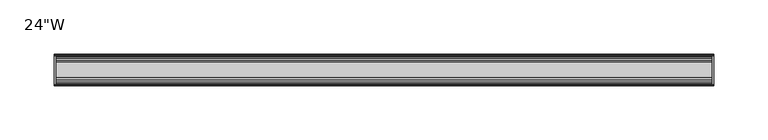
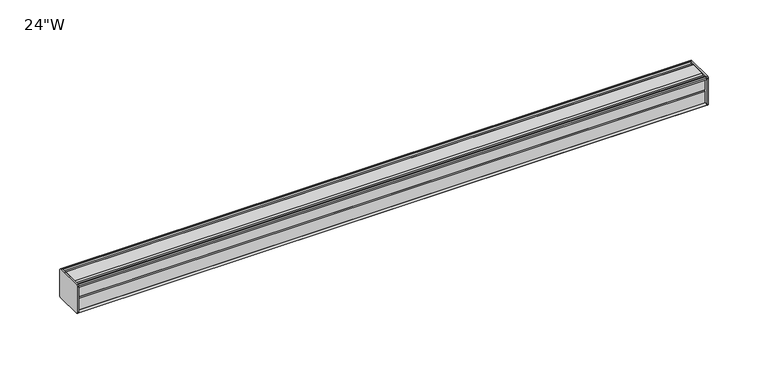
"""IFC4 building model written with IfcOpenShell, lengths in millimetres: furniture geometry."""

from ifc_helpers import new_model, si_unit, frame, origin, place, context, project, spatial, circle_curve, source, transform, mapped, element, save
from ifc_brep_helpers import plane_surface, cylinder_surface, advanced_brep


def furniture_4f007022(model_context):
    return source(origin(), model_context, "Body", "AdvancedBrep", [
        advanced_brep(
        [(303.2125, 14.5851562, 1196.1436262), (303.2125, 14.5851562, 1169.9932877), (303.2125, 14.4138595, 1169.1873997), (303.2125, 13.8374434, 1168.6109837), (303.2125, 12.9019306, 1168.3603131), (303.2125, -13.4067434, 1168.3603131), (303.2125, -14.3040014, 1169.2575711), (303.2125, -14.5851563, 1170.0259798), (303.2125, -14.5851563, 1195.9443327), (303.2125, -14.3040014, 1196.7127414), (303.2125, -13.4464303, 1197.5703125), (303.2125, 13.0500437, 1197.5703125), (303.2125, 13.8374434, 1197.3593288), (303.2125, 14.4138595, 1196.7829128), (304.8, 14.6248431, 1195.9955131), (304.8, 14.4138595, 1196.7829128), (304.8, 13.8374434, 1197.3593288), (304.8, 13.0500437, 1197.5703125), (304.8, -13.4464303, 1197.5703125), (304.8, -14.3040014, 1196.7127414), (304.8, -14.5851563, 1195.9443327), (304.8, -14.5851563, 1170.0259798), (304.8, -14.3040014, 1169.2575711), (304.8, -13.4067434, 1168.3603131), (304.8, 12.9019306, 1168.3603131), (304.8, 13.8374434, 1168.6109837), (304.8, 14.4138595, 1169.1873997), (304.8, 14.5851562, 1169.9932877)],
        [
            (0, 1),
            (1, 2),
            (2, 3),
            (3, 4),
            (4, 5),
            (5, 6),
            (6, 7, circle_curve(frame((303.2125, -13.3945313, 1170.0259798), z_axis=(-1.0, 0.0, 0.0), x_axis=(0.0, 1.0, 0.0)), 1.190625)),
            (7, 8),
            (8, 9, circle_curve(frame((303.2125, -13.3945313, 1195.9443327), z_axis=(-1.0, 0.0, 0.0), x_axis=(0.0, 1.0, 0.0)), 1.190625)),
            (9, 10),
            (10, 11),
            (11, 12),
            (12, 13),
            (13, 0),
            (14, 15),
            (15, 16),
            (16, 17),
            (17, 18),
            (18, 19),
            (19, 20, circle_curve(frame((304.8, -13.3945313, 1195.9443327), z_axis=(1.0, 0.0, 0.0), x_axis=(0.0, 1.0, 0.0)), 1.190625)),
            (20, 21),
            (21, 22, circle_curve(frame((304.8, -13.3945313, 1170.0259798), z_axis=(1.0, 0.0, 0.0), x_axis=(0.0, 1.0, 0.0)), 1.190625)),
            (22, 23),
            (23, 24),
            (24, 25),
            (25, 26),
            (26, 27),
            (27, 14),
            (13, 15),
            (14, 0),
            (12, 16),
            (11, 17),
            (10, 18),
            (9, 19),
            (8, 20),
            (7, 21),
            (6, 22),
            (5, 23),
            (4, 24),
            (3, 25),
            (2, 26),
            (1, 27),
        ],
        [
            plane_surface(frame((303.2125, 14.5851562, 1169.9932877), z_axis=(-1.0, 0.0, 0.0), x_axis=(0.0, 0.0, -1.0))),
            plane_surface(frame((304.8, 14.5851562, 1169.9932877), z_axis=(1.0, 0.0, 0.0), x_axis=(0.0, 0.0, 1.0))),
            plane_surface(frame((303.2125, 14.4138595, 1196.7829128), z_axis=(0.0, 0.9659256560349851, 0.25881968049857335), x_axis=(1.0, 0.0, 0.0))),
            plane_surface(frame((303.2125, 13.8374434, 1197.3593288), z_axis=(0.0, 0.7071067811866345, 0.7071067811864606), x_axis=(1.0, 0.0, 0.0))),
            plane_surface(frame((303.2125, 13.0500437, 1197.5703125), z_axis=(0.0, 0.2588196804711877, 0.9659256560423232), x_axis=(1.0, 0.0, 0.0))),
            plane_surface(frame((303.2125, -13.4464303, 1197.5703125), z_axis=(0.0, 0.0, 1.0), x_axis=(1.0, 0.0, 0.0))),
            plane_surface(frame((303.2125, -14.3040014, 1196.7127414), z_axis=(0.0, -0.70710678117674, 0.7071067811963553), x_axis=(1.0, 0.0, 0.0))),
            cylinder_surface(frame((304.8, -13.3945313, 1195.9443327), z_axis=(-1.0, 0.0, 0.0), x_axis=(0.0, 1.0, 0.0)), 1.190625),
            plane_surface(frame((303.2125, -14.5851563, 1170.0259798), z_axis=(0.0, -1.0, 0.0), x_axis=(1.0, 0.0, 0.0))),
            cylinder_surface(frame((304.8, -13.3945313, 1170.0259798), z_axis=(-1.0, 0.0, 0.0), x_axis=(0.0, 1.0, 0.0)), 1.190625),
            plane_surface(frame((303.2125, -13.4067434, 1168.3603131), z_axis=(0.0, -0.7071067811917087, -0.7071067811813864), x_axis=(1.0, 0.0, 0.0))),
            plane_surface(frame((303.2125, 12.9019306, 1168.3603131), z_axis=(0.0, 0.0, -1.0), x_axis=(1.0, 0.0, 0.0))),
            plane_surface(frame((303.2125, 13.8374434, 1168.6109837), z_axis=(0.0, 0.2588196804985645, -0.9659256560349875), x_axis=(1.0, 0.0, 0.0))),
            plane_surface(frame((303.2125, 14.4138595, 1169.1873997), z_axis=(0.0, 0.7071067811865204, -0.7071067811865748), x_axis=(1.0, 0.0, 0.0))),
            plane_surface(frame((303.2125, 14.5851562, 1169.9932877), z_axis=(0.0, 0.9781476007310527, -0.207911690830711), x_axis=(1.0, 0.0, 0.0))),
            plane_surface(frame((303.2125, 14.5851562, 1196.1436262), z_axis=(0.0, 1.0, 0.0), x_axis=(1.0, 0.0, 0.0))),
        ],
        [
            (0, [[1, 2, 3, 4, 5, 6, 7, 8, 9, 10, 11, 12, 13, 14]]),
            (1, [[15, 16, 17, 18, 19, 20, 21, 22, 23, 24, 25, 26, 27, 28]]),
            (2, [[-14, 29, -15, 30]]),
            (3, [[-13, 31, -16, -29]]),
            (4, [[-12, 32, -17, -31]]),
            (5, [[-11, 33, -18, -32]]),
            (6, [[-10, 34, -19, -33]]),
            (7, [[-9, 35, -20, -34]]),
            (8, [[-8, 36, -21, -35]]),
            (9, [[-7, 37, -22, -36]]),
            (10, [[-6, 38, -23, -37]]),
            (11, [[-5, 39, -24, -38]]),
            (12, [[-4, 40, -25, -39]]),
            (13, [[-3, 41, -26, -40]]),
            (14, [[-2, 42, -27, -41]]),
            (15, [[-1, -30, -28, -42]]),
        ],
    ),
        advanced_brep(
        [(-303.2125, 14.6248431, 1195.9955131), (-303.2125, 14.4138595, 1196.7829128), (-303.2125, 13.8374434, 1197.3593288), (-303.2125, 13.0500437, 1197.5703125), (-303.2125, -13.4464303, 1197.5703125), (-303.2125, -14.3040014, 1196.7127414), (-303.2125, -14.5851563, 1195.9443327), (-303.2125, -14.5851563, 1170.0259798), (-303.2125, -14.3040014, 1169.2575711), (-303.2125, -13.4067434, 1168.3603131), (-303.2125, 12.9019306, 1168.3603131), (-303.2125, 13.8374434, 1168.6109837), (-303.2125, 14.4138595, 1169.1873997), (-303.2125, 14.5851562, 1169.9932877), (-304.8, 14.5851562, 1196.1436262), (-304.8, 14.5851562, 1169.9932877), (-304.8, 14.4138595, 1169.1873997), (-304.8, 13.8374434, 1168.6109837), (-304.8, 12.9019306, 1168.3603131), (-304.8, -13.4067434, 1168.3603131), (-304.8, -14.3040014, 1169.2575711), (-304.8, -14.5851563, 1170.0259798), (-304.8, -14.5851563, 1195.9443327), (-304.8, -14.3040014, 1196.7127414), (-304.8, -13.4464303, 1197.5703125), (-304.8, 13.0500437, 1197.5703125), (-304.8, 13.8374434, 1197.3593288), (-304.8, 14.4138595, 1196.7829128)],
        [
            (0, 1),
            (1, 2),
            (2, 3),
            (3, 4),
            (4, 5),
            (5, 6, circle_curve(frame((-303.2125, -13.3945313, 1195.9443327), z_axis=(1.0, 0.0, 0.0), x_axis=(0.0, 1.0, 0.0)), 1.190625)),
            (6, 7),
            (7, 8, circle_curve(frame((-303.2125, -13.3945313, 1170.0259798), z_axis=(1.0, 0.0, 0.0), x_axis=(0.0, 1.0, 0.0)), 1.190625)),
            (8, 9),
            (9, 10),
            (10, 11),
            (11, 12),
            (12, 13),
            (13, 0),
            (14, 15),
            (15, 16),
            (16, 17),
            (17, 18),
            (18, 19),
            (19, 20),
            (20, 21, circle_curve(frame((-304.8, -13.3945313, 1170.0259798), z_axis=(-1.0, 0.0, 0.0), x_axis=(0.0, 1.0, 0.0)), 1.190625)),
            (21, 22),
            (22, 23, circle_curve(frame((-304.8, -13.3945313, 1195.9443327), z_axis=(-1.0, 0.0, 0.0), x_axis=(0.0, 1.0, 0.0)), 1.190625)),
            (23, 24),
            (24, 25),
            (25, 26),
            (26, 27),
            (27, 14),
            (0, 14),
            (27, 1),
            (26, 2),
            (25, 3),
            (24, 4),
            (23, 5),
            (22, 6),
            (21, 7),
            (20, 8),
            (19, 9),
            (18, 10),
            (17, 11),
            (16, 12),
            (15, 13),
        ],
        [
            plane_surface(frame((-303.2125, 14.6248431, 1195.9955131), z_axis=(1.0000000000000002, 0.0, 0.0), x_axis=(0.0, -0.25881968043900594, 0.9659256560509463))),
            plane_surface(frame((-304.8, 14.6248431, 1195.9955131), z_axis=(-1.0000000000000002, 0.0, 0.0), x_axis=(0.0, 0.25881968043900594, -0.9659256560509463))),
            plane_surface(frame((-303.2125, 14.6248431, 1195.9955131), z_axis=(0.0, 0.9659256560509463, 0.25881968043900594), x_axis=(-1.0, 0.0, 0.0))),
            plane_surface(frame((-303.2125, 14.4138595, 1196.7829128), z_axis=(0.0, 0.7071067810675442, 0.7071067813055509), x_axis=(-1.0, 0.0, 0.0))),
            plane_surface(frame((-303.2125, 13.8374434, 1197.3593288), z_axis=(0.0, 0.25881968048355775, 0.9659256560390086), x_axis=(-1.0, 0.0, 0.0))),
            plane_surface(frame((-303.2125, 13.0500437, 1197.5703125), z_axis=(0.0, 0.0, 1.0), x_axis=(-1.0, 0.0, 0.0))),
            plane_surface(frame((-303.2125, -13.4464303, 1197.5703125), z_axis=(0.0, -0.7071067811880228, 0.7071067811850722), x_axis=(-1.0, 0.0, 0.0))),
            cylinder_surface(frame((-304.8, -13.3945313, 1195.9443327), z_axis=(1.0, 0.0, 0.0), x_axis=(0.0, 1.0, 0.0)), 1.190625),
            plane_surface(frame((-303.2125, -14.5851563, 1195.9443327), z_axis=(0.0, -1.0, 0.0), x_axis=(-1.0, 0.0, 0.0))),
            cylinder_surface(frame((-304.8, -13.3945313, 1170.0259798), z_axis=(1.0, 0.0, 0.0), x_axis=(0.0, 1.0, 0.0)), 1.190625),
            plane_surface(frame((-303.2125, -14.3040014, 1169.2575711), z_axis=(0.0, -0.7071067811864808, -0.7071067811866142), x_axis=(-1.0, 0.0, 0.0))),
            plane_surface(frame((-303.2125, -13.4067434, 1168.3603131), z_axis=(0.0, 0.0, -1.0), x_axis=(-1.0, 0.0, 0.0))),
            plane_surface(frame((-303.2125, 12.9019306, 1168.3603131), z_axis=(0.0, 0.25881968049856513, -0.9659256560349874), x_axis=(-1.0, 0.0, 0.0))),
            plane_surface(frame((-303.2125, 13.8374434, 1168.6109837), z_axis=(0.0, 0.707106781186519, -0.7071067811865761), x_axis=(-1.0, 0.0, 0.0))),
            plane_surface(frame((-303.2125, 14.4138595, 1169.1873997), z_axis=(0.0, 0.9781476007314348, -0.20791169082891317), x_axis=(-1.0, 0.0, 0.0))),
            plane_surface(frame((-303.2125, 14.5851562, 1169.9932877), z_axis=(0.0, 1.0, 0.0), x_axis=(-1.0, 0.0, 0.0))),
        ],
        [
            (0, [[1, 2, 3, 4, 5, 6, 7, 8, 9, 10, 11, 12, 13, 14]]),
            (1, [[15, 16, 17, 18, 19, 20, 21, 22, 23, 24, 25, 26, 27, 28]]),
            (2, [[-1, 29, -28, 30]]),
            (3, [[-2, -30, -27, 31]]),
            (4, [[-3, -31, -26, 32]]),
            (5, [[-4, -32, -25, 33]]),
            (6, [[-5, -33, -24, 34]]),
            (7, [[-6, -34, -23, 35]]),
            (8, [[-7, -35, -22, 36]]),
            (9, [[-8, -36, -21, 37]]),
            (10, [[-9, -37, -20, 38]]),
            (11, [[-10, -38, -19, 39]]),
            (12, [[-11, -39, -18, 40]]),
            (13, [[-12, -40, -17, 41]]),
            (14, [[-13, -41, -16, 42]]),
            (15, [[-14, -42, -15, -29]]),
        ],
    ),
        advanced_brep(
        [(303.2125, -7.3748315, 1197.5703125), (303.2125, -8.9105708, 1196.5395796), (303.2125, -10.7601399, 1196.5395796), (303.2125, -12.2958792, 1197.5703125), (303.2125, -13.4464303, 1197.5703125), (303.2125, -14.3040014, 1196.7127414), (303.2125, -13.3945313, 1194.7537077), (303.2125, -13.3945313, 1195.665312), (303.2125, -12.2039063, 1195.665312), (303.2125, -12.2039063, 1183.7590632), (303.2125, -11.4101564, 1182.9653134), (303.2125, -12.2039063, 1182.1715636), (303.2125, -12.2039063, 1170.2653131), (303.2125, -13.3945313, 1170.2653131), (303.2125, -13.3945313, 1171.2166048), (303.2125, -14.3040014, 1169.2575711), (303.2125, -13.4067434, 1168.3603131), (303.2125, -12.2958792, 1168.3603131), (303.2125, -10.7601399, 1169.3910471), (303.2125, -8.9105708, 1169.3910471), (303.2125, -7.4339628, 1168.4), (303.2125, 7.4145184, 1168.4), (303.2125, 8.9502576, 1169.4307329), (303.2125, 10.7998291, 1169.4307329), (303.2125, 12.2275037, 1168.4), (303.2125, 13.0500437, 1168.4), (303.2125, 13.8374434, 1168.6109837), (303.2125, 14.4138595, 1169.1873997), (303.2125, 14.5851562, 1169.9932877), (303.2125, 14.5851562, 1196.1436262), (303.2125, 14.4138595, 1196.7829128), (303.2125, 13.8374434, 1197.3593288), (303.2125, 13.0500437, 1197.5703125), (303.2125, 12.2275037, 1197.5703125), (303.2125, 10.7998291, 1196.5395796), (303.2125, 8.9502576, 1196.5395796), (303.2125, 7.4145184, 1197.5703125), (-303.2125, -7.3748315, 1197.5703125), (-303.2125, 7.4145184, 1197.5703125), (-303.2125, 8.9502576, 1196.5395796), (-303.2125, 10.7998291, 1196.5395796), (-303.2125, 12.2275037, 1197.5703125), (-303.2125, 13.0500437, 1197.5703125), (-303.2125, 13.8374434, 1197.3593288), (-303.2125, 14.4138595, 1196.7829128), (-303.2125, 14.6248431, 1195.9955131), (-303.2125, 14.5851562, 1169.9932877), (-303.2125, 14.4138595, 1169.1873997), (-303.2125, 13.8374434, 1168.6109837), (-303.2125, 13.0500437, 1168.4), (-303.2125, 12.2275037, 1168.4), (-303.2125, 10.7998291, 1169.4307329), (-303.2125, 8.9502576, 1169.4307329), (-303.2125, 7.4145184, 1168.4), (-303.2125, -7.4339628, 1168.4), (-303.2125, -8.9105708, 1169.3910471), (-303.2125, -10.7601399, 1169.3910471), (-303.2125, -12.2958792, 1168.3603131), (-303.2125, -13.4067434, 1168.3603131), (-303.2125, -14.3040014, 1169.2575711), (-303.2125, -13.3945313, 1171.2166048), (-303.2125, -13.3945313, 1170.2653131), (-303.2125, -12.2039063, 1170.2653131), (-303.2125, -12.2039063, 1182.1715636), (-303.2125, -11.4101564, 1182.9653134), (-303.2125, -12.2039063, 1183.7590632), (-303.2125, -12.2039063, 1195.665312), (-303.2125, -13.3945313, 1195.665312), (-303.2125, -13.3945313, 1194.7537077), (-303.2125, -14.3040014, 1196.7127414), (-303.2125, -13.4464303, 1197.5703125), (-303.2125, -12.2958792, 1197.5703125), (-303.2125, -10.7601399, 1196.5395796), (-303.2125, -8.9105708, 1196.5395796)],
        [
            (0, 1),
            (1, 2),
            (2, 3),
            (3, 4),
            (4, 5),
            (5, 6, circle_curve(frame((303.2125, -13.3945313, 1195.9443327), z_axis=(1.0, 0.0, 0.0), x_axis=(0.0, 1.0, 0.0)), 1.190625)),
            (6, 7),
            (7, 8),
            (8, 9),
            (9, 10),
            (10, 11),
            (11, 12),
            (12, 13),
            (13, 14),
            (14, 15, circle_curve(frame((303.2125, -13.3945313, 1170.0259798), z_axis=(1.0, 0.0, 0.0), x_axis=(0.0, 1.0, 0.0)), 1.190625)),
            (15, 16),
            (16, 17),
            (17, 18),
            (18, 19),
            (19, 20),
            (20, 21),
            (21, 22),
            (22, 23),
            (23, 24),
            (24, 25),
            (25, 26),
            (26, 27),
            (27, 28),
            (28, 29),
            (29, 30),
            (30, 31),
            (31, 32),
            (32, 33),
            (33, 34),
            (34, 35),
            (35, 36),
            (36, 0),
            (37, 38),
            (38, 39),
            (39, 40),
            (40, 41),
            (41, 42),
            (42, 43),
            (43, 44),
            (44, 45),
            (45, 46),
            (46, 47),
            (47, 48),
            (48, 49),
            (49, 50),
            (50, 51),
            (51, 52),
            (52, 53),
            (53, 54),
            (54, 55),
            (55, 56),
            (56, 57),
            (57, 58),
            (58, 59),
            (59, 60, circle_curve(frame((-303.2125, -13.3945313, 1170.0259798), z_axis=(-1.0, 0.0, 0.0), x_axis=(0.0, 1.0, 0.0)), 1.190625)),
            (60, 61),
            (61, 62),
            (62, 63),
            (63, 64),
            (64, 65),
            (65, 66),
            (66, 67),
            (67, 68),
            (68, 69, circle_curve(frame((-303.2125, -13.3945313, 1195.9443327), z_axis=(-1.0, 0.0, 0.0), x_axis=(0.0, 1.0, 0.0)), 1.190625)),
            (69, 70),
            (70, 71),
            (71, 72),
            (72, 73),
            (73, 37),
            (0, 37),
            (73, 1),
            (72, 2),
            (71, 3),
            (70, 4),
            (69, 5),
            (68, 6),
            (67, 7),
            (66, 8),
            (65, 9),
            (64, 10),
            (63, 11),
            (62, 12),
            (61, 13),
            (60, 14),
            (59, 15),
            (58, 16),
            (57, 17),
            (56, 18),
            (55, 19),
            (54, 20),
            (53, 21),
            (52, 22),
            (51, 23),
            (50, 24),
            (49, 25),
            (48, 26),
            (47, 27),
            (46, 28),
            (45, 29),
            (44, 30),
            (43, 31),
            (42, 32),
            (41, 33),
            (40, 34),
            (39, 35),
            (38, 36),
        ],
        [
            plane_surface(frame((303.2125, -7.3748315, 1197.5703125), z_axis=(1.0, 0.0, 0.0), x_axis=(0.0, -0.8303227972604666, -0.5572827400427488))),
            plane_surface(frame((-303.2125, -7.3748315, 1197.5703125), z_axis=(-1.0, 0.0, 0.0), x_axis=(0.0, 0.8303227972604666, 0.5572827400427488))),
            plane_surface(frame((303.2125, -7.3748315, 1197.5703125), z_axis=(0.0, -0.5572827400427488, 0.8303227972604666), x_axis=(-1.0, 0.0, 0.0))),
            plane_surface(frame((303.2125, -8.9105708, 1196.5395796), z_axis=(0.0, 0.0, 1.0), x_axis=(-1.0, 0.0, 0.0))),
            plane_surface(frame((303.2125, -10.7601399, 1196.5395796), z_axis=(0.0, 0.5572827400427491, 0.8303227972604665), x_axis=(-1.0, 0.0, 0.0))),
            plane_surface(frame((303.2125, -12.2958792, 1197.5703125), z_axis=(0.0, 0.0, 1.0), x_axis=(-1.0, 0.0, 0.0))),
            plane_surface(frame((303.2125, -13.4464303, 1197.5703125), z_axis=(0.0, -0.7071067811810978, 0.7071067811919972), x_axis=(-1.0, 0.0, 0.0))),
            cylinder_surface(frame((-303.2125, -13.3945313, 1195.9443327), z_axis=(1.0, 0.0, 0.0), x_axis=(0.0, 1.0, 0.0)), 1.190625),
            plane_surface(frame((303.2125, -13.3945313, 1194.7537077), z_axis=(0.0, 1.0, 0.0), x_axis=(-1.0, 0.0, 0.0))),
            plane_surface(frame((303.2125, -13.3945313, 1195.665312), z_axis=(0.0, 0.0, -1.0), x_axis=(-1.0, 0.0, 0.0))),
            plane_surface(frame((303.2125, -12.2039063, 1195.665312), z_axis=(0.0, -1.0, 0.0), x_axis=(-1.0, 0.0, 0.0))),
            plane_surface(frame((303.2125, -12.2039063, 1183.7590632), z_axis=(0.0, -0.7071067811865155, -0.7071067811865795), x_axis=(-1.0, 0.0, 0.0))),
            plane_surface(frame((303.2125, -11.4101564, 1182.9653134), z_axis=(0.0, -0.7071067811865522, 0.7071067811865428), x_axis=(-1.0, 0.0, 0.0))),
            plane_surface(frame((303.2125, -12.2039063, 1182.1715636), z_axis=(0.0, -1.0, 0.0), x_axis=(-1.0, 0.0, 0.0))),
            plane_surface(frame((303.2125, -12.2039063, 1170.2653131), z_axis=(0.0, 0.0, 1.0), x_axis=(-1.0, 0.0, 0.0))),
            plane_surface(frame((303.2125, -13.3945313, 1170.2653131), z_axis=(0.0, 1.0, 0.0), x_axis=(-1.0, 0.0, 0.0))),
            cylinder_surface(frame((-303.2125, -13.3945313, 1170.0259798), z_axis=(1.0, 0.0, 0.0), x_axis=(0.0, 1.0, 0.0)), 1.190625),
            plane_surface(frame((303.2125, -14.3040014, 1169.2575711), z_axis=(0.0, -0.7071067811865892, -0.7071067811865058), x_axis=(-1.0, 0.0, 0.0))),
            plane_surface(frame((303.2125, -13.4067434, 1168.3603131), z_axis=(0.0, 0.0, -1.0), x_axis=(-1.0, 0.0, 0.0))),
            plane_surface(frame((303.2125, -12.2958792, 1168.3603131), z_axis=(0.0, 0.5572831632988446, -0.8303225131860712), x_axis=(-1.0, 0.0, 0.0))),
            plane_surface(frame((303.2125, -10.7601399, 1169.3910471), z_axis=(0.0, 0.0, -1.0), x_axis=(-1.0, 0.0, 0.0))),
            plane_surface(frame((303.2125, -8.9105708, 1169.3910471), z_axis=(0.0, -0.5572831633038827, -0.8303225131826898), x_axis=(-1.0, 0.0, 0.0))),
            plane_surface(frame((303.2125, -7.4339628, 1168.4), z_axis=(0.0, 0.0, -1.0), x_axis=(-1.0, 0.0, 0.0))),
            plane_surface(frame((303.2125, 7.4145184, 1168.4), z_axis=(0.0, 0.5572827400524372, -0.8303227972539643), x_axis=(-1.0, 0.0, 0.0))),
            plane_surface(frame((303.2125, 8.9502576, 1169.4307329), z_axis=(0.0, 0.0, -1.0), x_axis=(-1.0, 0.0, 0.0))),
            plane_surface(frame((303.2125, 10.7998291, 1169.4307329), z_axis=(0.0, -0.5853541342124147, -0.8107777362264177), x_axis=(-1.0, 0.0, 0.0))),
            plane_surface(frame((303.2125, 12.2275037, 1168.4), z_axis=(0.0, 0.0, -1.0), x_axis=(-1.0, 0.0, 0.0))),
            plane_surface(frame((303.2125, 13.0500437, 1168.4), z_axis=(0.0, 0.2588196804985639, -0.9659256560349877), x_axis=(-1.0, 0.0, 0.0))),
            plane_surface(frame((303.2125, 13.8374434, 1168.6109837), z_axis=(0.0, 0.7071067811865592, -0.7071067811865358), x_axis=(-1.0, 0.0, 0.0))),
            plane_surface(frame((303.2125, 14.4138595, 1169.1873997), z_axis=(0.0, 0.9781476007314349, -0.20791169082891267), x_axis=(-1.0, 0.0, 0.0))),
            plane_surface(frame((303.2125, 14.5851562, 1169.9932877), z_axis=(0.0, 1.0, 0.0), x_axis=(-1.0, 0.0, 0.0))),
            plane_surface(frame((303.2125, 14.6248431, 1195.9955131), z_axis=(0.0, 0.9659256560510352, 0.2588196804386741), x_axis=(-1.0, 0.0, 0.0))),
            plane_surface(frame((303.2125, 14.4138595, 1196.7829128), z_axis=(0.0, 0.7071067810667451, 0.70710678130635), x_axis=(-1.0, 0.0, 0.0))),
            plane_surface(frame((303.2125, 13.8374434, 1197.3593288), z_axis=(0.0, 0.25881968048369114, 0.9659256560389728), x_axis=(-1.0, 0.0, 0.0))),
            plane_surface(frame((303.2125, 13.0500437, 1197.5703125), z_axis=(0.0, 0.0, 1.0), x_axis=(-1.0, 0.0, 0.0))),
            plane_surface(frame((303.2125, 12.2275037, 1197.5703125), z_axis=(0.0, -0.5853541342075637, 0.8107777362299199), x_axis=(-1.0, 0.0, 0.0))),
            plane_surface(frame((303.2125, 10.7998291, 1196.5395796), z_axis=(0.0, 0.0, 1.0), x_axis=(-1.0, 0.0, 0.0))),
            plane_surface(frame((303.2125, 8.9502576, 1196.5395796), z_axis=(0.0, 0.5572827400427491, 0.8303227972604665), x_axis=(-1.0, 0.0, 0.0))),
            plane_surface(frame((303.2125, 7.4145184, 1197.5703125), z_axis=(0.0, 0.0, 1.0), x_axis=(-1.0, 0.0, 0.0))),
        ],
        [
            (0, [[1, 2, 3, 4, 5, 6, 7, 8, 9, 10, 11, 12, 13, 14, 15, 16, 17, 18, 19, 20, 21, 22, 23, 24, 25, 26, 27, 28, 29, 30, 31, 32, 33, 34, 35, 36, 37]]),
            (1, [[38, 39, 40, 41, 42, 43, 44, 45, 46, 47, 48, 49, 50, 51, 52, 53, 54, 55, 56, 57, 58, 59, 60, 61, 62, 63, 64, 65, 66, 67, 68, 69, 70, 71, 72, 73, 74]]),
            (2, [[-1, 75, -74, 76]]),
            (3, [[-2, -76, -73, 77]]),
            (4, [[-3, -77, -72, 78]]),
            (5, [[-4, -78, -71, 79]]),
            (6, [[-5, -79, -70, 80]]),
            (7, [[-6, -80, -69, 81]]),
            (8, [[-7, -81, -68, 82]]),
            (9, [[-8, -82, -67, 83]]),
            (10, [[-9, -83, -66, 84]]),
            (11, [[-10, -84, -65, 85]]),
            (12, [[-11, -85, -64, 86]]),
            (13, [[-12, -86, -63, 87]]),
            (14, [[-13, -87, -62, 88]]),
            (15, [[-14, -88, -61, 89]]),
            (16, [[-15, -89, -60, 90]]),
            (17, [[-16, -90, -59, 91]]),
            (18, [[-17, -91, -58, 92]]),
            (19, [[-18, -92, -57, 93]]),
            (20, [[-19, -93, -56, 94]]),
            (21, [[-20, -94, -55, 95]]),
            (22, [[-21, -95, -54, 96]]),
            (23, [[-22, -96, -53, 97]]),
            (24, [[-23, -97, -52, 98]]),
            (25, [[-24, -98, -51, 99]]),
            (26, [[-25, -99, -50, 100]]),
            (27, [[-26, -100, -49, 101]]),
            (28, [[-27, -101, -48, 102]]),
            (29, [[-28, -102, -47, 103]]),
            (30, [[-29, -103, -46, 104]]),
            (31, [[-30, -104, -45, 105]]),
            (32, [[-31, -105, -44, 106]]),
            (33, [[-32, -106, -43, 107]]),
            (34, [[-33, -107, -42, 108]]),
            (35, [[-34, -108, -41, 109]]),
            (36, [[-35, -109, -40, 110]]),
            (37, [[-36, -110, -39, 111]]),
            (38, [[-37, -111, -38, -75]]),
        ],
    ),
    ])


if __name__ == "__main__":
    model = new_model("IFC4")
    model_context = context("Model", 3, world=origin())
    ifc_project = project(units=[si_unit("LENGTHUNIT", "METRE", prefix="MILLI")], contexts=[model_context])
    site = spatial("IfcSite", under=ifc_project)
    building = spatial("IfcBuilding", under=site)
    placement = place(None, origin())
    furniture_shape = furniture_4f007022(model_context)
    element("IfcFurniture", 1, ObjectType="24\"W", at=placement, inside=building, context=model_context, shape_type="MappedRepresentation", body=[
        mapped(furniture_shape, transform((0.0, 0.0, 0.0), x_axis=(1.0, 0.0, 0.0), y_axis=(0.0, 1.0, 0.0), z_axis=(0.0, 0.0, 1.0))),
    ])
    save(model, "model.ifc")
